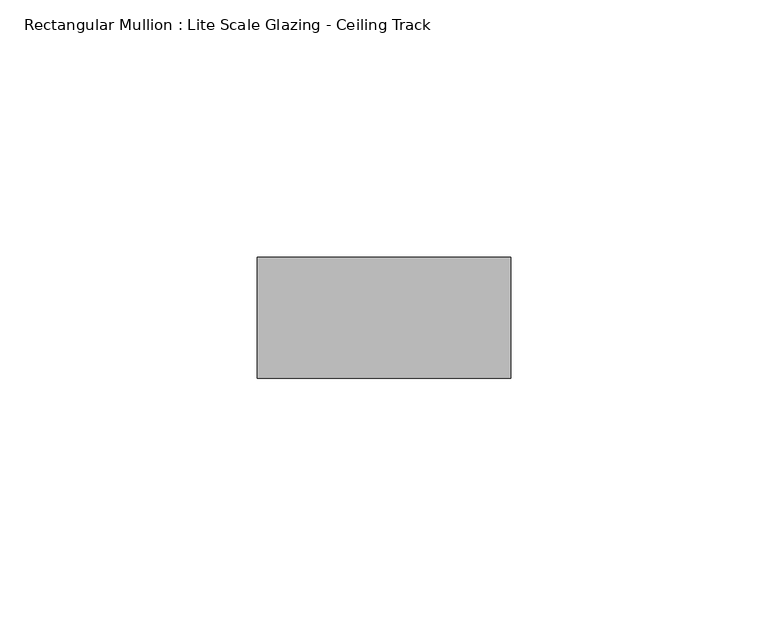
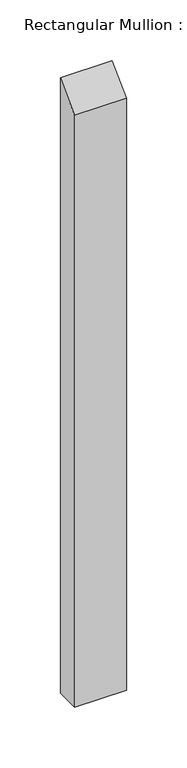
"""IFC4 building model written with IfcOpenShell, lengths in millimetres: member geometry, Rectangular Mullion : Lite Scale Glazing - Ceiling Track."""

import ifcopenshell
import ifcopenshell.guid

model = None  # the IFC model being written
_history = None  # IfcOwnerHistory: only IFC2X3 demands one
_inside = {}  # id of a spatial element -> (the spatial element, [elements in it])
_under = {}  # id of a project, library or spatial element -> (it, [spatial elements below it])
_declared = {}  # id of a project -> (the project, [libraries it declares])
_typed = {}  # id of a type object -> (the type object, [elements of that type])
_made_of = {}  # id of a material, layer set ... -> (it, [elements and type objects made of it])


def new_model(schema):
    """Start an empty IFC model of exactly this schema.

    Asked for "IFC4X3", IfcOpenShell would pick the latest addendum, in which some entities
    have other attributes; the version numbers below select the first issue.
    IFC2X3 requires an IfcOwnerHistory on every rooted entity: one is made here for all.
    """
    global model, _history
    if schema == "IFC4X3":
        model = ifcopenshell.file(schema_version=(4, 3, 0, 0))
    else:
        model = ifcopenshell.file(schema=schema)
    _inside.clear()
    _under.clear()
    _declared.clear()
    _typed.clear()
    _made_of.clear()
    _history = None
    if model.schema == "IFC2X3":
        org = make("IfcOrganization", Name="unknown")
        user = make(
            "IfcPersonAndOrganization",
            ThePerson=make("IfcPerson", FamilyName="unknown"),
            TheOrganization=org,
        )
        app = make(
            "IfcApplication",
            ApplicationDeveloper=org,
            Version="unknown",
            ApplicationFullName="unknown",
            ApplicationIdentifier="unknown",
        )
        _history = make(
            "IfcOwnerHistory",
            OwningUser=user,
            OwningApplication=app,
            ChangeAction="ADDED",
            CreationDate=0,
        )
    return model


def make(cls, **values):
    """One entity of the class cls with the attributes given. An attribute that is None is left unset."""
    return model.create_entity(
        cls, **{name: value for name, value in values.items() if value is not None}
    )


def rooted(cls, **values):
    """An entity with a GlobalId (a new one), such as an element, a storey or a relation."""
    return make(cls, GlobalId=ifcopenshell.guid.new(), OwnerHistory=_history, **values)


def si_unit(unit_type, name, prefix=None):
    """IfcSIUnit, for example si_unit("LENGTHUNIT", "METRE", prefix="MILLI")."""
    return make("IfcSIUnit", UnitType=unit_type, Prefix=prefix, Name=name)


def assignment(units):
    """IfcUnitAssignment: the units of a project."""
    return None if units is None else make("IfcUnitAssignment", Units=units)


def point(xyz):
    """IfcCartesianPoint."""
    return None if xyz is None else make("IfcCartesianPoint", Coordinates=xyz)


def direction(xyz):
    """IfcDirection."""
    return None if xyz is None else make("IfcDirection", DirectionRatios=xyz)


def frame(location, z_axis=None, x_axis=None):
    """IfcAxis2Placement3D, a coordinate frame: its origin and axes. An axis left out is left unset."""
    return make(
        "IfcAxis2Placement3D",
        Location=point(location),
        Axis=direction(z_axis),
        RefDirection=direction(x_axis),
    )


def origin():
    """The frame at (0, 0, 0) with its axes left unset."""
    return frame((0.0, 0.0, 0.0))


def place(relative_to, where):
    """IfcLocalPlacement: puts the frame where relative to a parent placement (None: the world)."""
    return make(
        "IfcLocalPlacement", PlacementRelTo=relative_to, RelativePlacement=where
    )


def context(
    kind, dimensions, precision=None, world=None, true_north=None, identifier=None
):
    """IfcGeometricRepresentationContext, for example the 3D "Model" context."""
    return make(
        "IfcGeometricRepresentationContext",
        ContextIdentifier=identifier,
        ContextType=kind,
        CoordinateSpaceDimension=dimensions,
        Precision=precision,
        WorldCoordinateSystem=world,
        TrueNorth=true_north,
    )


def project(units=None, contexts=None):
    """IfcProject with its units and contexts."""
    return rooted(
        "IfcProject",
        Name="project",
        RepresentationContexts=contexts,
        UnitsInContext=assignment(units),
    )


def spatial(cls, under=None, at=None, **own):
    """A site, building, storey or space (cls), placed at a placement, below another one or the project."""
    s = rooted(cls, ObjectPlacement=at, **own)
    if under is not None:
        _under.setdefault(under.id(), (under, []))[1].append(s)
    return s


def polyline(points):
    """IfcPolyline through the points."""
    return make("IfcPolyline", Points=[point(p) for p in points])


def outline(outer, holes=None, kind="AREA"):
    """IfcArbitraryClosedProfileDef: a profile drawn as a closed curve; with holes, ...WithVoids."""
    if holes is None:
        return make("IfcArbitraryClosedProfileDef", ProfileType=kind, OuterCurve=outer)
    return make(
        "IfcArbitraryProfileDefWithVoids",
        ProfileType=kind,
        OuterCurve=outer,
        InnerCurves=holes,
    )


def extrude(swept, where, along, depth):
    """IfcExtrudedAreaSolid: the profile swept, set in the frame where, extruded along a direction by depth."""
    return make(
        "IfcExtrudedAreaSolid",
        SweptArea=swept,
        Position=where,
        ExtrudedDirection=direction(along),
        Depth=depth,
    )


def shape(context_of_items, identifier, shape_type, items):
    """IfcShapeRepresentation: the items that make up one representation, for example the "Body"."""
    return make(
        "IfcShapeRepresentation",
        ContextOfItems=context_of_items,
        RepresentationIdentifier=identifier,
        RepresentationType=shape_type,
        Items=items,
    )


def source(mapping_origin, context_of_items, identifier, shape_type, items):
    """IfcRepresentationMap: a shape defined once, which mapped items show again and again."""
    return make(
        "IfcRepresentationMap",
        MappingOrigin=mapping_origin,
        MappedRepresentation=shape(context_of_items, identifier, shape_type, items),
    )


def transform(
    local_origin,
    x_axis=None,
    y_axis=None,
    z_axis=None,
    scale=None,
    scale2=None,
    scale3=None,
    uniform=True,
):
    """IfcCartesianTransformationOperator3D, or its non-uniform kind. x_axis, y_axis, z_axis: its Axis1, 2, 3."""
    if uniform:
        return make(
            "IfcCartesianTransformationOperator3D",
            Axis1=direction(x_axis),
            Axis2=direction(y_axis),
            LocalOrigin=point(local_origin),
            Scale=scale,
            Axis3=direction(z_axis),
        )
    return make(
        "IfcCartesianTransformationOperator3DnonUniform",
        Axis1=direction(x_axis),
        Axis2=direction(y_axis),
        LocalOrigin=point(local_origin),
        Scale=scale,
        Axis3=direction(z_axis),
        Scale2=scale2,
        Scale3=scale3,
    )


def mapped(mapping_source, mapping_target):
    """IfcMappedItem: shows the shape of a source again, moved by a transform."""
    return make(
        "IfcMappedItem", MappingSource=mapping_source, MappingTarget=mapping_target
    )


def made_of(thing, what):
    """Note that an element or type object is made of a material, layer set ...; save() writes the relation."""
    if what is not None:
        _made_of.setdefault(what.id(), (what, []))[1].append(thing)
    return thing


def element(
    cls,
    number,
    at=None,
    inside=None,
    cuts=None,
    type_object=None,
    material=None,
    context=None,
    identifier="Body",
    shape_type=None,
    held_by="IfcProductDefinitionShape",
    body=None,
    shapes=None,
    **own,
):
    """One element of the class cls, such as IfcWall. Its Tag is "e" and its number.

    at: its placement. inside: the storey or other place that contains it. cuts: it is an
    opening in that element (IfcRelVoidsElement). A single representation is given by context,
    identifier, shape_type and body (its items); several are given by shapes. held_by: the class
    of the entity that holds the representations. save() writes the other relations.
    """
    e = rooted(cls, Tag="e%d" % number, ObjectPlacement=at, **own)
    if body is not None:
        shapes = [shape(context, identifier, shape_type, body)]
    if shapes is not None:
        e.Representation = make(held_by, Representations=shapes)
    if inside is not None:
        _inside.setdefault(inside.id(), (inside, []))[1].append(e)
    if cuts is not None:
        rooted(
            "IfcRelVoidsElement", RelatingBuildingElement=cuts, RelatedOpeningElement=e
        )
    if type_object is not None:
        _typed.setdefault(type_object.id(), (type_object, []))[1].append(e)
    return made_of(e, material)


def aggregate(whole, parts):
    """IfcRelAggregates: a whole, such as a stair, and the parts it consists of."""
    return rooted("IfcRelAggregates", RelatingObject=whole, RelatedObjects=parts)


def save(model, path):
    """Write the relations noted so far, then the file.

    IfcRelAggregates (storeys below a building ...), IfcRelContainedInSpatialStructure (elements
    in a storey), IfcRelDefinesByType, IfcRelAssociatesMaterial and IfcRelDeclares: one each for
    every whole, place, type object, material and project.
    """
    for whole, parts in _under.values():
        aggregate(whole, parts)
    for where, things in _inside.values():
        rooted(
            "IfcRelContainedInSpatialStructure",
            RelatedElements=things,
            RelatingStructure=where,
        )
    for kind, things in _typed.values():
        rooted("IfcRelDefinesByType", RelatedObjects=things, RelatingType=kind)
    for what, things in _made_of.values():
        rooted("IfcRelAssociatesMaterial", RelatedObjects=things, RelatingMaterial=what)
    for by, libraries in _declared.values():
        rooted("IfcRelDeclares", RelatingContext=by, RelatedDefinitions=libraries)
    model.write(path)


def rectangular_mullion_lite_scale_glazing_ceiling_track_fc6edc98(model_context):
    return source(origin(), model_context, "Body", "SweptSolid", [
        extrude(outline(polyline([(-11.7474999, -11.7474999), (11.7474999, 11.7474999), (11.7474999, -607.6376148), (-11.7474999, -607.6376148), (-11.7474999, -11.7474999)])), frame((-49.276, 0.0, 0.0), z_axis=(1.0, 0.0, 0.0), x_axis=(0.0, 1.0, 0.0)), (0.0, 0.0, 1.0), 49.276),
    ])


if __name__ == "__main__":
    model = new_model("IFC4")
    model_context = context("Model", 3, world=origin())
    ifc_project = project(units=[si_unit("LENGTHUNIT", "METRE", prefix="MILLI")], contexts=[model_context])
    site = spatial("IfcSite", under=ifc_project)
    building = spatial("IfcBuilding", under=site)
    placement = place(None, origin())
    rectangular_mullion_lite_scale_glazing_ceiling_track_shape = rectangular_mullion_lite_scale_glazing_ceiling_track_fc6edc98(model_context)
    element("IfcMember", 1, ObjectType="Rectangular Mullion : Lite Scale Glazing - Ceiling Track", at=placement, inside=building, context=model_context, shape_type="MappedRepresentation", body=[
        mapped(rectangular_mullion_lite_scale_glazing_ceiling_track_shape, transform((0.0, 0.0, 0.0), x_axis=(1.0, 0.0, 0.0), y_axis=(0.0, 1.0, 0.0), z_axis=(0.0, 0.0, 1.0))),
    ])
    save(model, "model.ifc")
